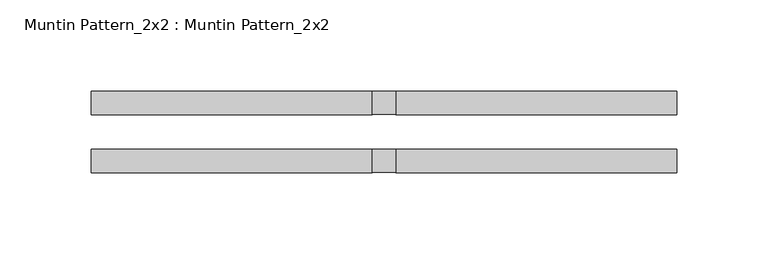
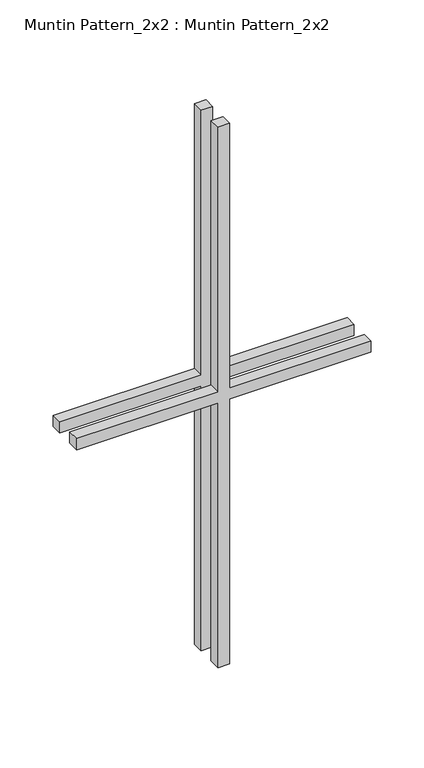
"""IFC4 building model written with IfcOpenShell, lengths in millimetres: proxy geometry, Muntin Pattern_2x2 : Muntin Pattern_2x2."""

from ifc_helpers import new_model, si_unit, frame, origin, place, context, project, spatial, polyline, outline, extrude, source, transform, mapped, element, save


def muntin_pattern_2x2_muntin_pattern_2x2_76c27c9d(model_context):
    return source(origin(), model_context, "Body", "SweptSolid", [
        extrude(outline(polyline([(317.5, -6.35), (317.5, -160.3375), (304.8, -160.3375), (304.8, -6.35), (0.0, -6.35), (0.0, 6.35), (304.8, 6.35), (304.8, 160.3375), (317.5, 160.3375), (317.5, 6.35), (622.3, 6.35), (622.3, -6.35), (317.5, -6.35)])), frame((0.0, -22.225, 0.0), z_axis=(0.0, 1.0, 0.0), x_axis=(0.0, 0.0, 1.0)), (0.0, 0.0, 1.0), 12.7),
        extrude(outline(polyline([(317.5, -6.35), (317.5, -160.3375), (304.8, -160.3375), (304.8, -6.35), (0.0, -6.35), (0.0, 6.35), (304.8, 6.35), (304.8, 160.3375), (317.5, 160.3375), (317.5, 6.35), (622.3, 6.35), (622.3, -6.35), (317.5, -6.35)])), frame((0.0, 9.525, 0.0), z_axis=(0.0, 1.0, 0.0), x_axis=(0.0, 0.0, 1.0)), (0.0, 0.0, 1.0), 12.7),
    ])


if __name__ == "__main__":
    model = new_model("IFC4")
    model_context = context("Model", 3, world=origin())
    ifc_project = project(units=[si_unit("LENGTHUNIT", "METRE", prefix="MILLI")], contexts=[model_context])
    site = spatial("IfcSite", under=ifc_project)
    building = spatial("IfcBuilding", under=site)
    placement = place(None, origin())
    muntin_pattern_2x2_muntin_pattern_2x2_shape = muntin_pattern_2x2_muntin_pattern_2x2_76c27c9d(model_context)
    element("IfcBuildingElementProxy", 1, Name="Muntin Pattern_2x2 : Muntin Pattern_2x2", ObjectType="Muntin Pattern_2x2 : Muntin Pattern_2x2", at=placement, inside=building, context=model_context, shape_type="MappedRepresentation", body=[
        mapped(muntin_pattern_2x2_muntin_pattern_2x2_shape, transform((0.0, 0.0, 0.0), x_axis=(1.0, 0.0, 0.0), y_axis=(0.0, 1.0, 0.0), z_axis=(0.0, 0.0, 1.0))),
    ])
    save(model, "model.ifc")
